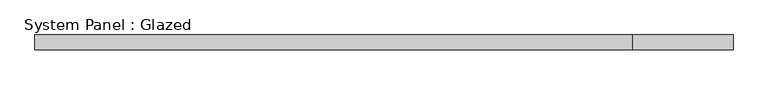
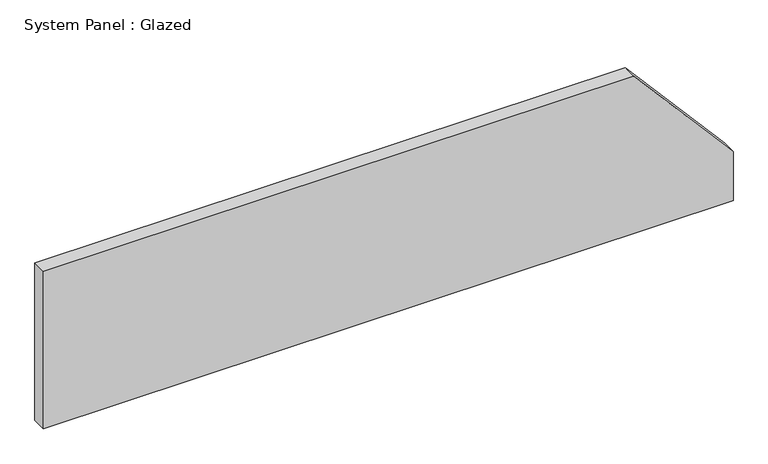
"""IFC4 building model written with IfcOpenShell, lengths in millimetres: plate geometry, System Panel : Glazed."""

from ifc_helpers import new_model, si_unit, frame, origin, place, context, project, spatial, polyline, outline, extrude, source, transform, mapped, element, save


def system_panel_glazed_0ef44e0e(model_context):
    return source(origin(), model_context, "Body", "SweptSolid", [
        extrude(outline(polyline([(0.0, -580.0), (0.0, 580.0), (87.0809571, 580.0), (279.899799, 413.0139846), (279.899799, -580.0), (0.0, -580.0)])), frame((0.0, 24.5, 0.0), z_axis=(0.0, 1.0, 0.0), x_axis=(0.0, 0.0, 1.0)), (0.0, 0.0, 1.0), 25.0),
    ])


if __name__ == "__main__":
    model = new_model("IFC4")
    model_context = context("Model", 3, world=origin())
    ifc_project = project(units=[si_unit("LENGTHUNIT", "METRE", prefix="MILLI")], contexts=[model_context])
    site = spatial("IfcSite", under=ifc_project)
    building = spatial("IfcBuilding", under=site)
    placement = place(None, origin())
    system_panel_glazed_shape = system_panel_glazed_0ef44e0e(model_context)
    element("IfcPlate", 1, ObjectType="System Panel : Glazed", at=placement, inside=building, context=model_context, shape_type="MappedRepresentation", body=[
        mapped(system_panel_glazed_shape, transform((0.0, 0.0, 0.0), x_axis=(1.0, 0.0, 0.0), y_axis=(0.0, 1.0, 0.0), z_axis=(0.0, 0.0, 1.0))),
    ])
    save(model, "model.ifc")
